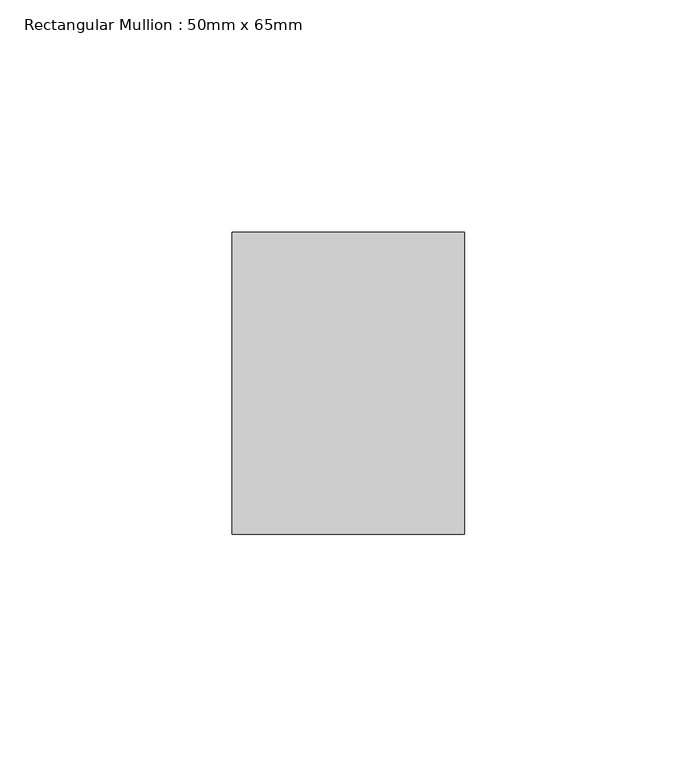
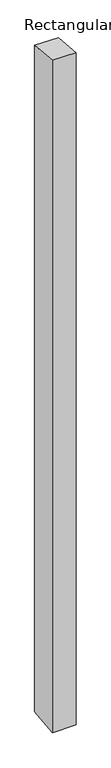
"""IFC4 building model written with IfcOpenShell, lengths in millimetres: member geometry, Rectangular Mullion : 50mm x 65mm."""

import ifcopenshell
import ifcopenshell.guid

model = None  # the IFC model being written
_history = None  # IfcOwnerHistory: only IFC2X3 demands one
_inside = {}  # id of a spatial element -> (the spatial element, [elements in it])
_under = {}  # id of a project, library or spatial element -> (it, [spatial elements below it])
_declared = {}  # id of a project -> (the project, [libraries it declares])
_typed = {}  # id of a type object -> (the type object, [elements of that type])
_made_of = {}  # id of a material, layer set ... -> (it, [elements and type objects made of it])


def new_model(schema):
    """Start an empty IFC model of exactly this schema.

    Asked for "IFC4X3", IfcOpenShell would pick the latest addendum, in which some entities
    have other attributes; the version numbers below select the first issue.
    IFC2X3 requires an IfcOwnerHistory on every rooted entity: one is made here for all.
    """
    global model, _history
    if schema == "IFC4X3":
        model = ifcopenshell.file(schema_version=(4, 3, 0, 0))
    else:
        model = ifcopenshell.file(schema=schema)
    _inside.clear()
    _under.clear()
    _declared.clear()
    _typed.clear()
    _made_of.clear()
    _history = None
    if model.schema == "IFC2X3":
        org = make("IfcOrganization", Name="unknown")
        user = make(
            "IfcPersonAndOrganization",
            ThePerson=make("IfcPerson", FamilyName="unknown"),
            TheOrganization=org,
        )
        app = make(
            "IfcApplication",
            ApplicationDeveloper=org,
            Version="unknown",
            ApplicationFullName="unknown",
            ApplicationIdentifier="unknown",
        )
        _history = make(
            "IfcOwnerHistory",
            OwningUser=user,
            OwningApplication=app,
            ChangeAction="ADDED",
            CreationDate=0,
        )
    return model


def make(cls, **values):
    """One entity of the class cls with the attributes given. An attribute that is None is left unset."""
    return model.create_entity(
        cls, **{name: value for name, value in values.items() if value is not None}
    )


def rooted(cls, **values):
    """An entity with a GlobalId (a new one), such as an element, a storey or a relation."""
    return make(cls, GlobalId=ifcopenshell.guid.new(), OwnerHistory=_history, **values)


def si_unit(unit_type, name, prefix=None):
    """IfcSIUnit, for example si_unit("LENGTHUNIT", "METRE", prefix="MILLI")."""
    return make("IfcSIUnit", UnitType=unit_type, Prefix=prefix, Name=name)


def assignment(units):
    """IfcUnitAssignment: the units of a project."""
    return None if units is None else make("IfcUnitAssignment", Units=units)


def point(xyz):
    """IfcCartesianPoint."""
    return None if xyz is None else make("IfcCartesianPoint", Coordinates=xyz)


def direction(xyz):
    """IfcDirection."""
    return None if xyz is None else make("IfcDirection", DirectionRatios=xyz)


def frame(location, z_axis=None, x_axis=None):
    """IfcAxis2Placement3D, a coordinate frame: its origin and axes. An axis left out is left unset."""
    return make(
        "IfcAxis2Placement3D",
        Location=point(location),
        Axis=direction(z_axis),
        RefDirection=direction(x_axis),
    )


def origin():
    """The frame at (0, 0, 0) with its axes left unset."""
    return frame((0.0, 0.0, 0.0))


def place(relative_to, where):
    """IfcLocalPlacement: puts the frame where relative to a parent placement (None: the world)."""
    return make(
        "IfcLocalPlacement", PlacementRelTo=relative_to, RelativePlacement=where
    )


def context(
    kind, dimensions, precision=None, world=None, true_north=None, identifier=None
):
    """IfcGeometricRepresentationContext, for example the 3D "Model" context."""
    return make(
        "IfcGeometricRepresentationContext",
        ContextIdentifier=identifier,
        ContextType=kind,
        CoordinateSpaceDimension=dimensions,
        Precision=precision,
        WorldCoordinateSystem=world,
        TrueNorth=true_north,
    )


def project(units=None, contexts=None):
    """IfcProject with its units and contexts."""
    return rooted(
        "IfcProject",
        Name="project",
        RepresentationContexts=contexts,
        UnitsInContext=assignment(units),
    )


def spatial(cls, under=None, at=None, **own):
    """A site, building, storey or space (cls), placed at a placement, below another one or the project."""
    s = rooted(cls, ObjectPlacement=at, **own)
    if under is not None:
        _under.setdefault(under.id(), (under, []))[1].append(s)
    return s


def faces_of(points, faces, orient=None, outer=None):
    """IfcFace entities. A face is a list of loops; a loop is a list of indices into points, from 0.

    orient and outer hold one flag for each loop. By default every Orientation is true, the
    first loop of a face is its IfcFaceOuterBound and the others are IfcFaceBound.
    """
    made = []
    for i, loops in enumerate(faces):
        bounds = []
        for j, loop in enumerate(loops):
            is_outer = j == 0 if outer is None else outer[i][j]
            bounds.append(
                make(
                    "IfcFaceOuterBound" if is_outer else "IfcFaceBound",
                    Bound=make("IfcPolyLoop", Polygon=[points[k] for k in loop]),
                    Orientation=True if orient is None else orient[i][j],
                )
            )
        made.append(make("IfcFace", Bounds=bounds))
    return made


def faceted_brep(points, faces, orient=None, outer=None, voids=None):
    """IfcFacetedBrep: a solid bounded by flat faces; with voids (closed shells), ...WithVoids."""
    shared = [point(p) for p in points]
    hull = make("IfcClosedShell", CfsFaces=faces_of(shared, faces, orient, outer))
    if voids is None:
        return make("IfcFacetedBrep", Outer=hull)
    return make(
        "IfcFacetedBrepWithVoids",
        Outer=hull,
        Voids=[
            make(cls, CfsFaces=faces_of(shared, fs, o, b)) for cls, fs, o, b in voids
        ],
    )


def shape(context_of_items, identifier, shape_type, items):
    """IfcShapeRepresentation: the items that make up one representation, for example the "Body"."""
    return make(
        "IfcShapeRepresentation",
        ContextOfItems=context_of_items,
        RepresentationIdentifier=identifier,
        RepresentationType=shape_type,
        Items=items,
    )


def source(mapping_origin, context_of_items, identifier, shape_type, items):
    """IfcRepresentationMap: a shape defined once, which mapped items show again and again."""
    return make(
        "IfcRepresentationMap",
        MappingOrigin=mapping_origin,
        MappedRepresentation=shape(context_of_items, identifier, shape_type, items),
    )


def transform(
    local_origin,
    x_axis=None,
    y_axis=None,
    z_axis=None,
    scale=None,
    scale2=None,
    scale3=None,
    uniform=True,
):
    """IfcCartesianTransformationOperator3D, or its non-uniform kind. x_axis, y_axis, z_axis: its Axis1, 2, 3."""
    if uniform:
        return make(
            "IfcCartesianTransformationOperator3D",
            Axis1=direction(x_axis),
            Axis2=direction(y_axis),
            LocalOrigin=point(local_origin),
            Scale=scale,
            Axis3=direction(z_axis),
        )
    return make(
        "IfcCartesianTransformationOperator3DnonUniform",
        Axis1=direction(x_axis),
        Axis2=direction(y_axis),
        LocalOrigin=point(local_origin),
        Scale=scale,
        Axis3=direction(z_axis),
        Scale2=scale2,
        Scale3=scale3,
    )


def mapped(mapping_source, mapping_target):
    """IfcMappedItem: shows the shape of a source again, moved by a transform."""
    return make(
        "IfcMappedItem", MappingSource=mapping_source, MappingTarget=mapping_target
    )


def made_of(thing, what):
    """Note that an element or type object is made of a material, layer set ...; save() writes the relation."""
    if what is not None:
        _made_of.setdefault(what.id(), (what, []))[1].append(thing)
    return thing


def element(
    cls,
    number,
    at=None,
    inside=None,
    cuts=None,
    type_object=None,
    material=None,
    context=None,
    identifier="Body",
    shape_type=None,
    held_by="IfcProductDefinitionShape",
    body=None,
    shapes=None,
    **own,
):
    """One element of the class cls, such as IfcWall. Its Tag is "e" and its number.

    at: its placement. inside: the storey or other place that contains it. cuts: it is an
    opening in that element (IfcRelVoidsElement). A single representation is given by context,
    identifier, shape_type and body (its items); several are given by shapes. held_by: the class
    of the entity that holds the representations. save() writes the other relations.
    """
    e = rooted(cls, Tag="e%d" % number, ObjectPlacement=at, **own)
    if body is not None:
        shapes = [shape(context, identifier, shape_type, body)]
    if shapes is not None:
        e.Representation = make(held_by, Representations=shapes)
    if inside is not None:
        _inside.setdefault(inside.id(), (inside, []))[1].append(e)
    if cuts is not None:
        rooted(
            "IfcRelVoidsElement", RelatingBuildingElement=cuts, RelatedOpeningElement=e
        )
    if type_object is not None:
        _typed.setdefault(type_object.id(), (type_object, []))[1].append(e)
    return made_of(e, material)


def aggregate(whole, parts):
    """IfcRelAggregates: a whole, such as a stair, and the parts it consists of."""
    return rooted("IfcRelAggregates", RelatingObject=whole, RelatedObjects=parts)


def save(model, path):
    """Write the relations noted so far, then the file.

    IfcRelAggregates (storeys below a building ...), IfcRelContainedInSpatialStructure (elements
    in a storey), IfcRelDefinesByType, IfcRelAssociatesMaterial and IfcRelDeclares: one each for
    every whole, place, type object, material and project.
    """
    for whole, parts in _under.values():
        aggregate(whole, parts)
    for where, things in _inside.values():
        rooted(
            "IfcRelContainedInSpatialStructure",
            RelatedElements=things,
            RelatingStructure=where,
        )
    for kind, things in _typed.values():
        rooted("IfcRelDefinesByType", RelatedObjects=things, RelatingType=kind)
    for what, things in _made_of.values():
        rooted("IfcRelAssociatesMaterial", RelatedObjects=things, RelatingMaterial=what)
    for by, libraries in _declared.values():
        rooted("IfcRelDeclares", RelatingContext=by, RelatedDefinitions=libraries)
    model.write(path)


def rectangular_mullion_50mm_x_65mm_d68a2f75(model_context):
    return source(origin(), model_context, "Body", "Brep", [
        faceted_brep([(-25.0, 32.5, -2.991161), (25.0, 32.5, -2.9911503), (25.0, 32.5, -1496.6283586), (-25.0, 32.5, -1496.6283466), (-25.0, -32.5, 2.9911503), (-25.0, -32.5, -1503.3717093), (25.0, -32.5, 2.991161), (25.0, -32.5, -1503.3717213)], [[[0, 1, 2, 3]], [[4, 0, 3, 5]], [[6, 4, 5, 7]], [[1, 6, 7, 2]], [[1, 0, 4, 6]], [[2, 7, 5, 3]]]),
    ])


if __name__ == "__main__":
    model = new_model("IFC4")
    model_context = context("Model", 3, world=origin())
    ifc_project = project(units=[si_unit("LENGTHUNIT", "METRE", prefix="MILLI")], contexts=[model_context])
    site = spatial("IfcSite", under=ifc_project)
    building = spatial("IfcBuilding", under=site)
    placement = place(None, origin())
    rectangular_mullion_50mm_x_65mm_shape = rectangular_mullion_50mm_x_65mm_d68a2f75(model_context)
    element("IfcMember", 1, ObjectType="Rectangular Mullion : 50mm x 65mm", at=placement, inside=building, context=model_context, shape_type="MappedRepresentation", body=[
        mapped(rectangular_mullion_50mm_x_65mm_shape, transform((0.0, 0.0, 0.0), x_axis=(1.0, 0.0, 0.0), y_axis=(0.0, 1.0, 0.0), z_axis=(0.0, 0.0, 1.0))),
    ])
    save(model, "model.ifc")
